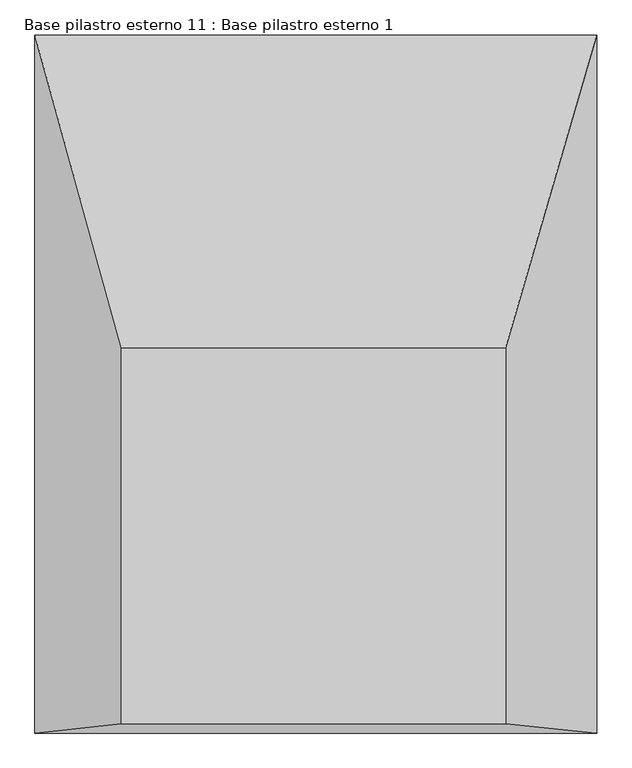
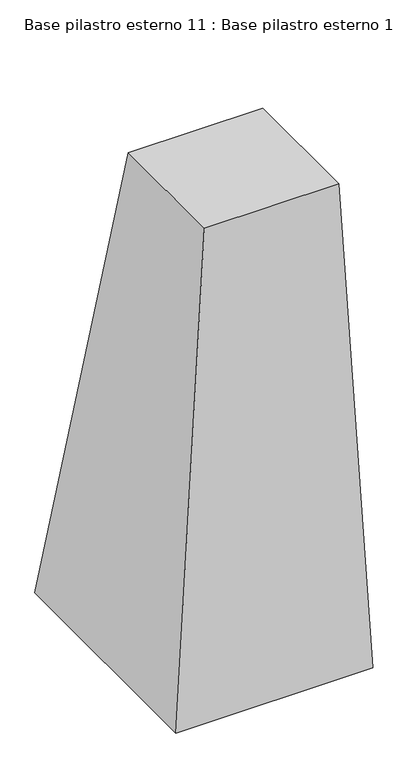
"""IFC4 building model written with IfcOpenShell, lengths in millimetres: column geometry, Base pilastro esterno 11 : Base pilastro esterno 1."""

from ifc_helpers import new_model, si_unit, origin, place, context, project, spatial, faceted_brep, source, transform, mapped, element, save


def base_pilastro_esterno_11_base_pilastro_esterno_1_75afdca3(model_context):
    return source(origin(), model_context, "Body", "Brep", [
        faceted_brep([(85422.3543515, 123725.338663, 110.4186824), (86025.3495572, 123725.338663, 110.4186824), (86025.3495572, 124315.5945334, 110.4186824), (85422.3543515, 124315.5945334, 110.4186824), (85286.4681079, 123710.8677666, -2226.4963086), (85286.4681079, 124806.47127, -2226.4963086), (86168.316748, 124806.47127, -2226.4963086), (86168.316748, 123710.8677666, -2226.4963086)], [[[0, 1, 2, 3]], [[4, 5, 6, 7]], [[4, 7, 1, 0]], [[7, 6, 2, 1]], [[6, 5, 3, 2]], [[5, 4, 0, 3]]]),
    ])


if __name__ == "__main__":
    model = new_model("IFC4")
    model_context = context("Model", 3, world=origin())
    ifc_project = project(units=[si_unit("LENGTHUNIT", "METRE", prefix="MILLI")], contexts=[model_context])
    site = spatial("IfcSite", under=ifc_project)
    building = spatial("IfcBuilding", under=site)
    placement = place(None, origin())
    base_pilastro_esterno_11_base_pilastro_esterno_1_shape = base_pilastro_esterno_11_base_pilastro_esterno_1_75afdca3(model_context)
    element("IfcColumn", 1, ObjectType="Base pilastro esterno 11 : Base pilastro esterno 1", at=placement, inside=building, context=model_context, shape_type="MappedRepresentation", body=[
        mapped(base_pilastro_esterno_11_base_pilastro_esterno_1_shape, transform((0.0, 0.0, 0.0), x_axis=(1.0, 0.0, 0.0), y_axis=(0.0, 1.0, 0.0), z_axis=(0.0, 0.0, 1.0))),
    ])
    save(model, "model.ifc")
